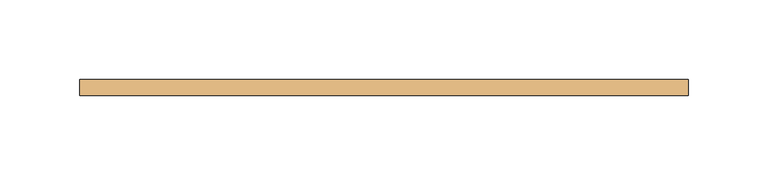
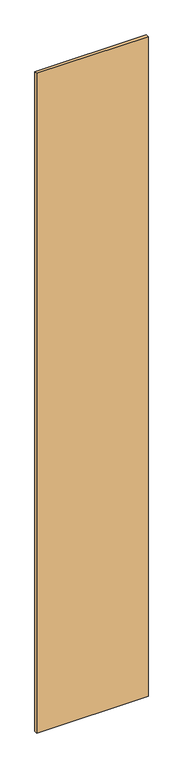
"""IFC4 building model written with IfcOpenShell, lengths in millimetres: door geometry."""

from ifc_helpers import new_model, si_unit, frame, origin, place, context, project, spatial, polyline, outline, extrude, source, transform, mapped, element, save


def door_a0c03c55(model_context):
    return source(origin(), model_context, "Body", "SweptSolid", [
        extrude(outline(polyline([(190.6588411, 5.0), (190.6588411, -5.0), (-190.6588411, -5.0), (-190.6588411, 5.0), (190.6588411, 5.0)])), frame((0.0, 0.0, 78.0), z_axis=(0.0, 0.0, 1.0), x_axis=(1.0, 0.0, 0.0)), (0.0, 0.0, 1.0), 2386.0),
    ])


if __name__ == "__main__":
    model = new_model("IFC4")
    model_context = context("Model", 3, world=origin())
    ifc_project = project(units=[si_unit("LENGTHUNIT", "METRE", prefix="MILLI")], contexts=[model_context])
    site = spatial("IfcSite", under=ifc_project)
    building = spatial("IfcBuilding", under=site)
    placement = place(None, origin())
    door_shape = door_a0c03c55(model_context)
    element("IfcDoor", 1, at=placement, inside=building, context=model_context, shape_type="MappedRepresentation", body=[
        mapped(door_shape, transform((0.0, 0.0, 0.0), x_axis=(1.0, 0.0, 0.0), y_axis=(0.0, 1.0, 0.0), z_axis=(0.0, 0.0, 1.0))),
    ])
    save(model, "model.ifc")
